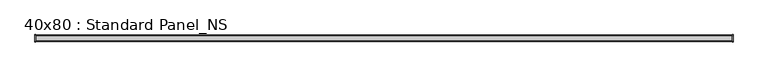
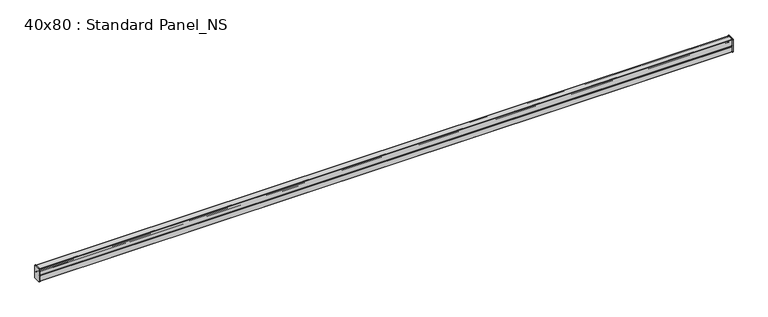
"""IFC4 building model written with IfcOpenShell, lengths in millimetres: proxy geometry, 40x80 : Standard Panel_NS."""

from ifc_helpers import new_model, si_unit, point, frame, frame_2d, origin, place, context, project, spatial, polyline, circle_curve, trimmed, segment, composite_curve, outline, extrude, source, transform, mapped, element, save


def proxy_40x80_standard_panel_ns_58951223(model_context):
    return source(origin(), model_context, "Body", "SweptSolid", [
        extrude(outline(composite_curve([segment(polyline([(18.35, -82.0), (-18.35, -82.0)]), True, "CONTINUOUS"), segment(trimmed(circle_curve(frame_2d((-18.35, -78.35)), 3.65), [point((-18.35, -82.0))], [point((-22.0, -78.35))], False, "CARTESIAN"), True, "CONTINUOUS"), segment(polyline([(-22.0, -78.35), (-22.0, -1.65)]), True, "CONTINUOUS"), segment(trimmed(circle_curve(frame_2d((-18.35, -1.65)), 3.65), [point((-22.0, -1.65))], [point((-18.35, 2.0))], False, "CARTESIAN"), True, "CONTINUOUS"), segment(polyline([(-18.35, 2.0), (18.35, 2.0)]), True, "CONTINUOUS"), segment(trimmed(circle_curve(frame_2d((18.35, -1.65)), 3.65), [point((18.35, 2.0))], [point((22.0, -1.65))], False, "CARTESIAN"), True, "CONTINUOUS"), segment(polyline([(22.0, -1.65), (22.0, -78.35)]), True, "CONTINUOUS"), segment(trimmed(circle_curve(frame_2d((18.35, -78.35)), 3.65), [point((22.0, -78.35))], [point((18.35, -82.0))], False, "CARTESIAN"), True, "CONTINUOUS")], self_intersect=False)), frame((-4.0, 0.0, 0.0), z_axis=(1.0, 0.0, 0.0), x_axis=(0.0, 1.0, 0.0)), (0.0, 0.0, 1.0), 4.0),
        extrude(outline(composite_curve([segment(trimmed(circle_curve(frame_2d((-18.35, -78.35)), 3.65), [point((-18.35, -82.0))], [point((-22.0, -78.35))], False, "CARTESIAN"), True, "CONTINUOUS"), segment(polyline([(-22.0, -78.35), (-22.0, -1.65)]), True, "CONTINUOUS"), segment(trimmed(circle_curve(frame_2d((-18.35, -1.65)), 3.65), [point((-22.0, -1.65))], [point((-18.35, 2.0))], False, "CARTESIAN"), True, "CONTINUOUS"), segment(polyline([(-18.35, 2.0), (18.35, 2.0)]), True, "CONTINUOUS"), segment(trimmed(circle_curve(frame_2d((18.35, -1.65)), 3.65), [point((18.35, 2.0))], [point((22.0, -1.65))], False, "CARTESIAN"), True, "CONTINUOUS"), segment(polyline([(22.0, -1.65), (22.0, -78.35)]), True, "CONTINUOUS"), segment(trimmed(circle_curve(frame_2d((18.35, -78.35)), 3.65), [point((22.0, -78.35))], [point((18.35, -82.0))], False, "CARTESIAN"), True, "CONTINUOUS"), segment(polyline([(18.35, -82.0), (-18.35, -82.0)]), True, "CONTINUOUS")], self_intersect=False)), frame((4200.0, 0.0, 0.0), z_axis=(1.0, 0.0, 0.0), x_axis=(0.0, 1.0, 0.0)), (0.0, 0.0, 1.0), 4.0),
        extrude(outline(composite_curve([segment(polyline([(-18.2928932, -20.1033442), (-18.2928932, -5.786798)]), True, "CONTINUOUS"), segment(trimmed(circle_curve(frame_2d((-16.7928932, -5.786798)), 1.5), [point((-18.2928932, -5.786798))], [point((-15.2928932, -5.786798))], False, "CARTESIAN"), True, "CONTINUOUS"), segment(polyline([(-15.2928932, -5.786798), (-15.2928932, -14.286798), (-16.2928932, -14.286798), (-16.2928932, -5.786798)]), True, "CONTINUOUS"), segment(trimmed(circle_curve(frame_2d((-16.7928932, -5.786798)), 0.5), [point((-16.2928932, -5.786798))], [point((-17.2928932, -5.786798))], True, "CARTESIAN"), True, "CONTINUOUS"), segment(polyline([(-17.2928932, -5.786798), (-17.2928932, -20.372583), (-6.9791847, -30.6862915)]), True, "CONTINUOUS"), segment(trimmed(circle_curve(frame_2d((-8.3933983, -32.1005051)), 2.0), [point((-6.9791847, -30.6862915))], [point((-6.9791847, -33.5147186))], False, "CARTESIAN"), True, "CONTINUOUS"), segment(polyline([(-6.9791847, -33.5147186), (-19.0, -45.5355339), (-19.0, -78.4713203)]), True, "CONTINUOUS"), segment(trimmed(circle_curve(frame_2d((-18.35, -78.4713203)), 0.65), [point((-19.0, -78.4713203))], [point((-18.35, -79.1213203))], True, "CARTESIAN"), True, "CONTINUOUS"), segment(polyline([(-18.35, -79.1213203), (18.35, -79.1213203)]), True, "CONTINUOUS"), segment(trimmed(circle_curve(frame_2d((18.35, -78.4713203)), 0.65), [point((18.35, -79.1213203))], [point((19.0, -78.4713203))], True, "CARTESIAN"), True, "CONTINUOUS"), segment(polyline([(19.0, -78.4713203), (19.0, -45.5355339), (6.9791847, -33.5147186)]), True, "CONTINUOUS"), segment(trimmed(circle_curve(frame_2d((8.3933983, -32.1005051)), 2.0), [point((6.9791847, -33.5147186))], [point((6.9791847, -30.6862915))], False, "CARTESIAN"), True, "CONTINUOUS"), segment(polyline([(6.9791847, -30.6862915), (17.2928932, -20.372583), (17.2928932, -5.786798)]), True, "CONTINUOUS"), segment(trimmed(circle_curve(frame_2d((16.7928932, -5.786798)), 0.5), [point((17.2928932, -5.786798))], [point((16.2928932, -5.786798))], True, "CARTESIAN"), True, "CONTINUOUS"), segment(polyline([(16.2928932, -5.786798), (16.2928932, -14.286798), (15.2928932, -14.286798), (15.2928932, -5.786798)]), True, "CONTINUOUS"), segment(trimmed(circle_curve(frame_2d((16.7928932, -5.786798)), 1.5), [point((15.2928932, -5.786798))], [point((18.2928932, -5.786798))], False, "CARTESIAN"), True, "CONTINUOUS"), segment(polyline([(18.2928932, -5.786798), (18.2928932, -20.1033442)]), True, "CONTINUOUS"), segment(trimmed(circle_curve(frame_2d((16.6428932, -20.1033442)), 1.65), [point((18.2928932, -20.1033442))], [point((17.8096194, -21.2700704))], False, "CARTESIAN"), True, "CONTINUOUS"), segment(polyline([(17.8096194, -21.2700704), (7.6862915, -31.3933983)]), True, "CONTINUOUS"), segment(trimmed(circle_curve(frame_2d((8.3933983, -32.1005051)), 1.0), [point((7.6862915, -31.3933983))], [point((7.6862915, -32.8076118))], True, "CARTESIAN"), True, "CONTINUOUS"), segment(polyline([(7.6862915, -32.8076118), (19.5167262, -44.6380465)]), True, "CONTINUOUS"), segment(trimmed(circle_curve(frame_2d((18.35, -45.8047727)), 1.65), [point((19.5167262, -44.6380465))], [point((20.0, -45.8047727))], False, "CARTESIAN"), True, "CONTINUOUS"), segment(polyline([(20.0, -45.8047727), (20.0, -78.4713203)]), True, "CONTINUOUS"), segment(trimmed(circle_curve(frame_2d((18.35, -78.4713203)), 1.65), [point((20.0, -78.4713203))], [point((18.35, -80.1213203))], False, "CARTESIAN"), True, "CONTINUOUS"), segment(polyline([(18.35, -80.1213203), (-18.35, -80.1213203)]), True, "CONTINUOUS"), segment(trimmed(circle_curve(frame_2d((-18.35, -78.4713203)), 1.65), [point((-18.35, -80.1213203))], [point((-20.0, -78.4713203))], False, "CARTESIAN"), True, "CONTINUOUS"), segment(polyline([(-20.0, -78.4713203), (-20.0, -45.8047727)]), True, "CONTINUOUS"), segment(trimmed(circle_curve(frame_2d((-18.35, -45.8047727)), 1.65), [point((-20.0, -45.8047727))], [point((-19.5167262, -44.6380465))], False, "CARTESIAN"), True, "CONTINUOUS"), segment(polyline([(-19.5167262, -44.6380465), (-7.6862915, -32.8076118)]), True, "CONTINUOUS"), segment(trimmed(circle_curve(frame_2d((-8.3933983, -32.1005051)), 1.0), [point((-7.6862915, -32.8076118))], [point((-7.6862915, -31.3933983))], True, "CARTESIAN"), True, "CONTINUOUS"), segment(polyline([(-7.6862915, -31.3933983), (-17.8096194, -21.2700704)]), True, "CONTINUOUS"), segment(trimmed(circle_curve(frame_2d((-16.6428932, -20.1033442)), 1.65), [point((-17.8096194, -21.2700704))], [point((-18.2928932, -20.1033442))], False, "CARTESIAN"), True, "CONTINUOUS")], self_intersect=False)), frame((0.0, 0.0, 0.0), z_axis=(1.0, 0.0, 0.0), x_axis=(0.0, 1.0, 0.0)), (0.0, 0.0, 1.0), 4200.0),
        extrude(outline(composite_curve([segment(polyline([(17.0, -40.5), (17.0, -27.0), (18.0, -27.0), (18.0, -40.5)]), True, "CONTINUOUS"), segment(trimmed(circle_curve(frame_2d((18.5, -40.5)), 0.5), [point((18.0, -40.5))], [point((19.0, -40.5))], True, "CARTESIAN"), True, "CONTINUOUS"), segment(polyline([(19.0, -40.5), (19.0, -1.65)]), True, "CONTINUOUS"), segment(trimmed(circle_curve(frame_2d((18.35, -1.65)), 0.65), [point((19.0, -1.65))], [point((18.35, -1.0))], True, "CARTESIAN"), True, "CONTINUOUS"), segment(polyline([(18.35, -1.0), (-18.35, -1.0)]), True, "CONTINUOUS"), segment(trimmed(circle_curve(frame_2d((-18.35, -1.65)), 0.65), [point((-18.35, -1.0))], [point((-19.0, -1.65))], True, "CARTESIAN"), True, "CONTINUOUS"), segment(polyline([(-19.0, -1.65), (-19.0, -40.5)]), True, "CONTINUOUS"), segment(trimmed(circle_curve(frame_2d((-18.5, -40.5)), 0.5), [point((-19.0, -40.5))], [point((-18.0, -40.5))], True, "CARTESIAN"), True, "CONTINUOUS"), segment(polyline([(-18.0, -40.5), (-18.0, -27.0), (-17.0, -27.0), (-17.0, -40.5)]), True, "CONTINUOUS"), segment(trimmed(circle_curve(frame_2d((-18.5, -40.5)), 1.5), [point((-17.0, -40.5))], [point((-20.0, -40.5))], False, "CARTESIAN"), True, "CONTINUOUS"), segment(polyline([(-20.0, -40.5), (-20.0, -1.65)]), True, "CONTINUOUS"), segment(trimmed(circle_curve(frame_2d((-18.35, -1.65)), 1.65), [point((-20.0, -1.65))], [point((-18.35, 0.0))], False, "CARTESIAN"), True, "CONTINUOUS"), segment(polyline([(-18.35, 0.0), (18.35, 0.0)]), True, "CONTINUOUS"), segment(trimmed(circle_curve(frame_2d((18.35, -1.65)), 1.65), [point((18.35, 0.0))], [point((20.0, -1.65))], False, "CARTESIAN"), True, "CONTINUOUS"), segment(polyline([(20.0, -1.65), (20.0, -40.5)]), True, "CONTINUOUS"), segment(trimmed(circle_curve(frame_2d((18.5, -40.5)), 1.5), [point((20.0, -40.5))], [point((17.0, -40.5))], False, "CARTESIAN"), True, "CONTINUOUS")], self_intersect=False)), frame((0.0, 0.0, 0.0), z_axis=(1.0, 0.0, 0.0), x_axis=(0.0, 1.0, 0.0)), (0.0, 0.0, 1.0), 4200.0),
    ])


if __name__ == "__main__":
    model = new_model("IFC4")
    model_context = context("Model", 3, world=origin())
    ifc_project = project(units=[si_unit("LENGTHUNIT", "METRE", prefix="MILLI")], contexts=[model_context])
    site = spatial("IfcSite", under=ifc_project)
    building = spatial("IfcBuilding", under=site)
    placement = place(None, origin())
    proxy_40x80_standard_panel_ns_shape = proxy_40x80_standard_panel_ns_58951223(model_context)
    element("IfcBuildingElementProxy", 1, Name="40x80 : Standard Panel_NS", ObjectType="40x80 : Standard Panel_NS", at=placement, inside=building, context=model_context, shape_type="MappedRepresentation", body=[
        mapped(proxy_40x80_standard_panel_ns_shape, transform((0.0, 0.0, 0.0), x_axis=(1.0, 0.0, 0.0), y_axis=(0.0, 1.0, 0.0), z_axis=(0.0, 0.0, 1.0))),
    ])
    save(model, "model.ifc")
